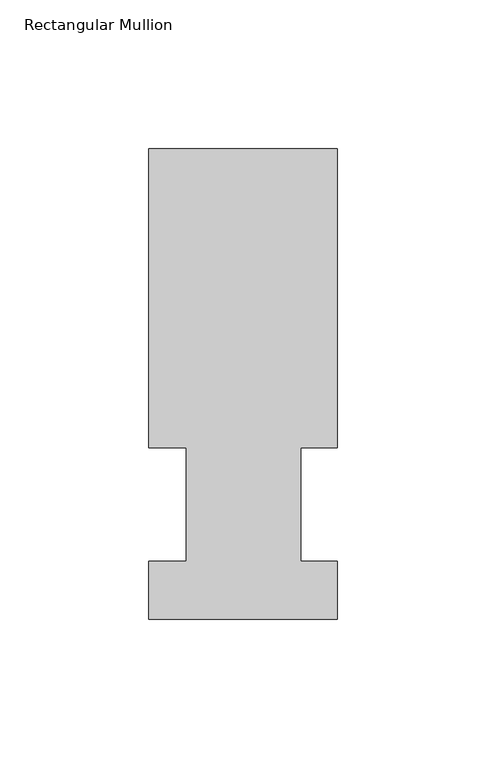
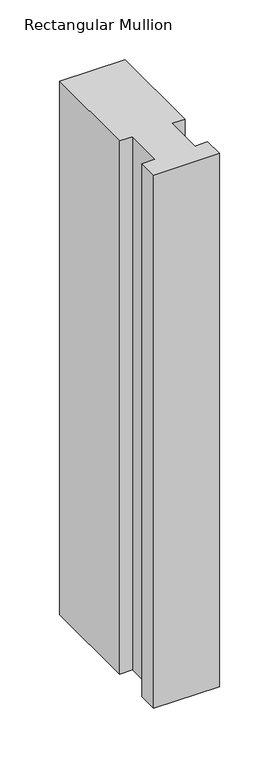
"""IFC4 building model written with IfcOpenShell, lengths in millimetres: member geometry, Rectangular Mullion."""

from ifc_helpers import new_model, si_unit, frame, origin, place, context, project, spatial, polyline, outline, extrude, source, transform, mapped, element, save


def rectangular_mullion_6f97f7bc(model_context):
    return source(origin(), model_context, "Body", "SweptSolid", [
        extrude(outline(polyline([(-63.5, 57.6460937), (-63.5, 158.3316937), (0.0, 158.3316937), (0.0, 57.6460937), (-12.3418395, 57.6460937), (-12.3418395, 19.5460937), (0.0, 19.5460937), (0.0, 0.0134937), (-63.5, 0.0134937), (-63.5, 19.5460937), (-50.8, 19.5460937), (-50.8, 57.6460937), (-63.5, 57.6460937)])), frame((0.0, 0.0, -546.0999995), z_axis=(0.0, 0.0, 1.0), x_axis=(1.0, 0.0, 0.0)), (0.0, 0.0, 1.0), 546.0999995),
    ])


if __name__ == "__main__":
    model = new_model("IFC4")
    model_context = context("Model", 3, world=origin())
    ifc_project = project(units=[si_unit("LENGTHUNIT", "METRE", prefix="MILLI")], contexts=[model_context])
    site = spatial("IfcSite", under=ifc_project)
    building = spatial("IfcBuilding", under=site)
    placement = place(None, origin())
    rectangular_mullion_shape = rectangular_mullion_6f97f7bc(model_context)
    element("IfcMember", 1, ObjectType="Rectangular Mullion", at=placement, inside=building, context=model_context, shape_type="MappedRepresentation", body=[
        mapped(rectangular_mullion_shape, transform((0.0, 0.0, 0.0), x_axis=(1.0, 0.0, 0.0), y_axis=(0.0, 1.0, 0.0), z_axis=(0.0, 0.0, 1.0))),
    ])
    save(model, "model.ifc")
